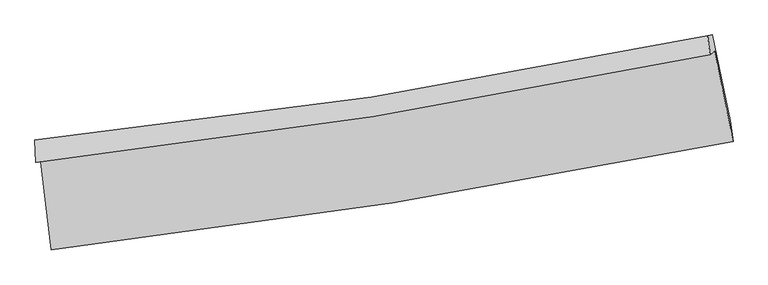
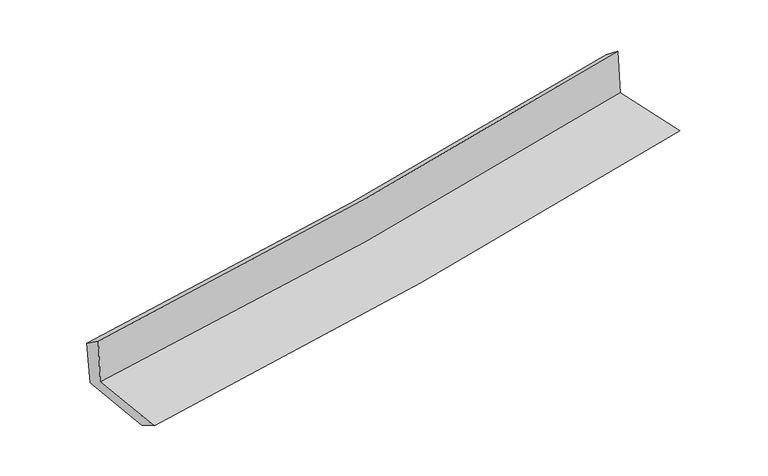
"""IFC4 building model written with IfcOpenShell, lengths in millimetres: proxy geometry."""

from ifc_helpers import new_model, si_unit, frame, origin, place, context, project, spatial, source, transform, mapped, element, save
from ifc_brep_helpers import plane_surface, spline_curve, spline_surface, advanced_brep


def generic_models_ff44748d(model_context):
    return source(origin(), model_context, "Body", "AdvancedBrep", [
        advanced_brep(
        [(-2495.5602332, -1864.4032604, 1665.2037188), (-2418.1875414, -2536.3679711, 1645.7288688), (2579.2708708, -1742.0426286, 2104.3481601), (2444.0263479, -1080.6606689, 2099.8951704), (-2528.2883644, -1894.5525351, 2066.2769941), (2410.7815069, -1104.24673, 2506.5127037), (-2536.2768889, -1732.5375969, 1952.5355052), (2392.5540344, -963.7957637, 2393.530825), (-2503.231507, -1728.2446203, 1580.2478998), (2427.0484092, -959.2882855, 2015.3555855), (-2428.5139609, -2369.0181452, 1551.2803601), (2556.9839316, -1586.5859662, 2001.8462021)],
        [
            (0, 1),
            (1, 2, spline_curve(3, [(-2418.1875414, -2536.3679711, 1645.7288688), (-1582.02879, -2439.793961198, 1717.293642237), (-748.670449956, -2325.551721795, 1791.179041487), (917.181046244, -2060.97866169, 1944.025599676), (1749.642176921, -1910.445787315, 2023.013297733), (2579.2708708, -1742.0426286, 2104.3481601)], [4, 2, 4], [0.0, 8.264574271731194, 16.57627112973783])),
            (2, 3),
            (3, 0, spline_curve(3, [(2444.0263479, -1080.6606689, 2099.8951704), (1626.058622825, -1259.451074036, 2028.443657278), (804.261512524, -1414.275890414, 1956.388925703), (-842.31064543, -1675.252448911, 1811.484954683), (-1667.04239587, -1781.675162853, 1738.642535693), (-2495.5602332, -1864.4032604, 1665.2037188)], [4, 2, 4], [0.0, 8.311696858006636, 16.57627112973783])),
            (4, 0),
            (3, 5),
            (5, 4, spline_curve(3, [(2410.7815069, -1104.24673, 2506.5127037), (1592.094755254, -1276.528356088, 2430.904326466), (769.982458327, -1428.658083117, 2356.312419283), (-876.412896845, -1691.865499384, 2209.578675532), (-1700.657223915, -1803.171041036, 2137.425346352), (-2528.2883644, -1894.5525351, 2066.2769941)], [4, 2, 4], [0.0, 8.262970263075799, 16.47909419191142])),
            (6, 4),
            (5, 7),
            (7, 6, spline_curve(3, [(2392.5540344, -963.7957637, 2393.530825), (1575.420630407, -1135.830092859, 2323.541832867), (754.940903333, -1286.029293795, 2251.687969679), (-888.040573932, -1542.029687638, 2104.66844415), (-1710.504487759, -1648.07776476, 2029.523867386), (-2536.2768889, -1732.5375969, 1952.5355052)], [4, 2, 4], [0.0, 8.252469817169834, 16.458152831646007])),
            (8, 6),
            (7, 9),
            (9, 8, spline_curve(3, [(2427.0484092, -959.2882855, 2015.3555855), (1609.842090505, -1131.343818527, 1944.346148716), (789.204572224, -1281.571568206, 1872.476943363), (-854.260861844, -1537.643545732, 1727.43132669), (-1677.049982537, -1643.734574335, 1654.264636893), (-2503.231507, -1728.2446203, 1580.2478998)], [4, 2, 4], [0.0, 8.242535760452284, 16.43834103865338])),
            (10, 8),
            (9, 11),
            (11, 10, spline_curve(3, [(2556.9839316, -1586.5859662, 2001.8462021), (1729.586058516, -1756.348468518, 1925.053843126), (899.239552184, -1906.562343032, 1849.005882184), (-762.626418045, -2167.152038656, 1698.825684719), (-1594.112542649, -2277.748890502, 1624.685031603), (-2428.5139609, -2369.0181452, 1551.2803601)], [4, 2, 4], [0.0, 8.290456817943118, 16.53391146853818])),
            (1, 10),
            (11, 2),
        ],
        [
            spline_surface(3, 3, [[(-2495.5602332, -1864.4032604, 1665.2037188), (-1667.04239578, -1781.67516291, 1738.642535811), (-842.310645524, -1675.252448833, 1811.484954718), (804.261512617, -1414.275890492, 1956.388925668), (1626.058622732, -1259.451074067, 2028.443657305), (2444.0263479, -1080.6606689, 2099.8951704)], [(-2469.769335918, -2088.391497308, 1658.712102115), (-1638.704527194, -2001.048095706, 1731.526237926), (-811.097247007, -1892.018873112, 1804.716316939), (841.901357181, -1629.843480915, 1952.267817039), (1667.253140814, -1476.449311781, 2026.633537438), (2489.107855532, -1301.12132213, 2101.379500319)], [(-2443.978438682, -2312.379734192, 1652.220485485), (-1610.366658653, -2220.42102848, 1724.409940094), (-779.883848513, -2108.785297418, 1797.947679161), (879.541201721, -1845.411071364, 1948.146708412), (1708.447658901, -1693.447549504, 2024.823417515), (2534.189363168, -1521.58197537, 2102.863830181)], [(-2418.1875414, -2536.3679711, 1645.7288688), (-1582.028790067, -2439.793961276, 1717.293642208), (-748.670449996, -2325.551721698, 1791.179041381), (917.181046284, -2060.978661787, 1944.025599783), (1749.642176984, -1910.445787218, 2023.013297649), (2579.2708708, -1742.0426286, 2104.3481601)]], [4, 4], [4, 2, 4], [0.0, 2.1551014055949316], [0.0, 8.264574271731194, 16.57627112973783]),
            spline_surface(3, 3, [[(-2528.2883644, -1894.5525351, 2066.2769941), (-1700.657223818, -1803.171040974, 2137.425346307), (-876.412896981, -1691.865499497, 2209.578675597), (769.982458465, -1428.658083003, 2356.312419218), (1592.09475539, -1276.528356058, 2430.904326405), (2410.7815069, -1104.24673, 2506.5127037)], [(-2517.378987356, -1884.502776871, 1932.585902349), (-1689.452281161, -1796.00574829, 2004.497742824), (-865.045479844, -1686.327815947, 2076.880768662), (781.408809833, -1423.864018837, 2223.004588059), (1603.416044477, -1270.835928705, 2296.750770021), (2421.86312054, -1096.384709611, 2370.973525916)], [(-2506.469610244, -1874.453018629, 1798.894810551), (-1678.247338436, -1788.840455594, 1871.570139294), (-853.678062661, -1680.790132383, 1944.182861654), (792.835161249, -1419.069954658, 2089.696756827), (1614.737333644, -1265.14350142, 2162.59721369), (2432.94473426, -1088.522689289, 2235.434348184)], [(-2495.5602332, -1864.4032604, 1665.2037188), (-1667.04239578, -1781.67516291, 1738.642535811), (-842.310645524, -1675.252448833, 1811.484954718), (804.261512617, -1414.275890492, 1956.388925668), (1626.058622732, -1259.451074067, 2028.443657305), (2444.0263479, -1080.6606689, 2099.8951704)]], [4, 4], [4, 2, 4], [0.0, 1.314880521069695], [0.0, 8.216123928835623, 16.47909419191142]),
            spline_surface(3, 3, [[(-2536.2768889, -1732.5375969, 1952.5355052), (-1710.50448767, -1648.077764628, 2029.523867492), (-888.040573814, -1542.029687752, 2104.668444156), (754.940903214, -1286.029293681, 2251.687969672), (1575.420630473, -1135.830092783, 2323.541832921), (2392.5540344, -963.7957637, 2393.530825)], [(-2533.614047401, -1786.542576301, 1990.449334833), (-1707.222066388, -1699.775523411, 2065.491027097), (-884.164681511, -1591.974958352, 2139.63852129), (759.95475499, -1333.572223474, 2286.562786174), (1580.978672121, -1182.729513883, 2359.329330767), (2398.629858576, -1010.612752475, 2431.191451251)], [(-2530.951205899, -1840.547555699, 2028.363164467), (-1703.939645101, -1751.47328219, 2101.458186702), (-880.288789284, -1641.920228897, 2174.608598464), (764.968606689, -1381.115153211, 2321.437602716), (1586.536713742, -1229.628934958, 2395.11682856), (2404.705682724, -1057.429741225, 2468.852077449)], [(-2528.2883644, -1894.5525351, 2066.2769941), (-1700.657223818, -1803.171040974, 2137.425346307), (-876.412896981, -1691.865499497, 2209.578675597), (769.982458465, -1428.658083003, 2356.312419218), (1592.09475539, -1276.528356058, 2430.904326405), (2410.7815069, -1104.24673, 2506.5127037)]], [4, 4], [4, 2, 4], [0.0, 0.5917530860318762], [0.0, 8.205683014476174, 16.458152831646007]),
            spline_surface(3, 3, [[(-2503.231507, -1728.2446203, 1580.2478998), (-1677.049982655, -1643.734574451, 1654.26463702), (-854.260861976, -1537.643545805, 1727.431326822), (789.204572357, -1281.571568132, 1872.47694323), (1609.842090417, -1131.343818516, 1944.346148635), (2427.0484092, -959.2882855, 2015.3555855)], [(-2514.246634283, -1729.67561249, 1704.343768251), (-1688.20148431, -1645.1823045, 1779.351047162), (-865.520765944, -1539.105593125, 1853.177032621), (777.783349288, -1283.057476654, 1998.880618731), (1598.368270447, -1132.839243285, 2070.744710045), (2415.550284278, -960.790778246, 2141.413998649)], [(-2525.261761617, -1731.10660471, 1828.439636749), (-1699.352986016, -1646.630034579, 1904.43745735), (-876.780669846, -1540.567640431, 1978.922738358), (766.362126283, -1284.54338516, 2125.284294171), (1586.894450443, -1134.334668015, 2197.143271511), (2404.052159322, -962.293270954, 2267.472411851)], [(-2536.2768889, -1732.5375969, 1952.5355052), (-1710.50448767, -1648.077764628, 2029.523867492), (-888.040573814, -1542.029687752, 2104.668444156), (754.940903214, -1286.029293681, 2251.687969672), (1575.420630473, -1135.830092783, 2323.541832921), (2392.5540344, -963.7957637, 2393.530825)]], [4, 4], [4, 2, 4], [0.0, 1.2460058016657554], [0.0, 8.195805278201096, 16.43834103865338]),
            spline_surface(3, 3, [[(-2428.5139609, -2369.0181452, 1551.2803601), (-1594.112542555, -2277.748890449, 1624.685031739), (-762.626418017, -2167.152038593, 1698.825684803), (899.239552156, -1906.562343095, 1849.0058821), (1729.586058502, -1756.348468603, 1925.053843042), (2556.9839316, -1586.5859662, 2001.8462021)], [(-2453.419809617, -2155.426970236, 1560.936206674), (-1621.758355939, -2066.410785118, 1634.544900173), (-793.171232674, -1957.315874328, 1708.360898798), (862.561225552, -1698.232084772, 1856.829569132), (1689.67140248, -1548.013585234, 1931.484611597), (2513.672090806, -1377.486739293, 2006.349329924)], [(-2478.325658283, -1941.835795264, 1570.592053226), (-1649.404169271, -1855.072679781, 1644.404768585), (-823.716047319, -1747.47971007, 1717.896112827), (825.882898961, -1489.901826455, 1864.653256198), (1649.756746439, -1339.678701885, 1937.91538008), (2470.360249994, -1168.387512407, 2010.852457676)], [(-2503.231507, -1728.2446203, 1580.2478998), (-1677.049982655, -1643.734574451, 1654.26463702), (-854.260861976, -1537.643545805, 1727.431326822), (789.204572357, -1281.571568132, 1872.47694323), (1609.842090417, -1131.343818516, 1944.346148635), (2427.0484092, -959.2882855, 2015.3555855)]], [4, 4], [4, 2, 4], [0.0, 2.0860608140859633], [0.0, 8.24345465059506, 16.53391146853818]),
            spline_surface(3, 3, [[(-2418.1875414, -2536.3679711, 1645.7288688), (-1582.028790067, -2439.793961276, 1717.293642208), (-748.670449996, -2325.551721698, 1791.179041381), (917.181046284, -2060.978661787, 1944.025599783), (1749.642176984, -1910.445787218, 2023.013297649), (2579.2708708, -1742.0426286, 2104.3481601)], [(-2421.629681224, -2480.584695795, 1614.246032577), (-1586.056707554, -2385.778937662, 1686.424105395), (-753.322439328, -2272.751827313, 1760.394589169), (911.20054825, -2009.506555539, 1912.352360536), (1742.956804158, -1859.080014358, 1990.360146089), (2571.841891069, -1690.223741144, 2070.180840742)], [(-2425.071821076, -2424.801420505, 1582.763196323), (-1590.084625068, -2331.763914063, 1655.554568552), (-757.974428685, -2219.951932979, 1729.610137015), (905.22005019, -1958.034449343, 1880.679121347), (1736.271431327, -1807.714241464, 1957.706994602), (2564.412911331, -1638.404853656, 2036.013521458)], [(-2428.5139609, -2369.0181452, 1551.2803601), (-1594.112542555, -2277.748890449, 1624.685031739), (-762.626418017, -2167.152038593, 1698.825684803), (899.239552156, -1906.562343095, 1849.0058821), (1729.586058502, -1756.348468603, 1925.053843042), (2556.9839316, -1586.5859662, 2001.8462021)]], [4, 4], [4, 2, 4], [0.0, 0.6004318122176725], [0.0, 8.301887014315708, 16.651109363062275]),
            plane_surface(frame((2468.4441835, -1239.4366738, 2186.9147745), z_axis=(0.9755075040182662, 0.20009449320425673, 0.0913635780460901), x_axis=(-0.09082919344393608, -0.011868909513798601, 0.9957957554665904))),
            plane_surface(frame((-2485.0097493, -2020.8540215, 1743.5455578), z_axis=(-0.9897716959712693, -0.11138281516524116, -0.08913954419909895), x_axis=(-0.1143408083318032, 0.9930246235786743, 0.02877979354446793))),
        ],
        [
            (0, [[1, 2, 3, 4]]),
            (1, [[5, -4, 6, 7]]),
            (2, [[8, -7, 9, 10]]),
            (3, [[11, -10, 12, 13]]),
            (4, [[14, -13, 15, 16]]),
            (5, [[17, -16, 18, -2]]),
            (6, [[-12, -9, -6, -3, -18, -15]]),
            (7, [[-1, -5, -8, -11, -14, -17]]),
        ],
    ),
    ])


if __name__ == "__main__":
    model = new_model("IFC4")
    model_context = context("Model", 3, world=origin())
    ifc_project = project(units=[si_unit("LENGTHUNIT", "METRE", prefix="MILLI")], contexts=[model_context])
    site = spatial("IfcSite", under=ifc_project)
    building = spatial("IfcBuilding", under=site)
    placement = place(None, origin())
    generic_models_shape = generic_models_ff44748d(model_context)
    element("IfcBuildingElementProxy", 1, Name="Generic Models", at=placement, inside=building, context=model_context, shape_type="MappedRepresentation", body=[
        mapped(generic_models_shape, transform((0.0, 0.0, 0.0), x_axis=(1.0, 0.0, 0.0), y_axis=(0.0, 1.0, 0.0), z_axis=(0.0, 0.0, 1.0))),
    ])
    save(model, "model.ifc")
